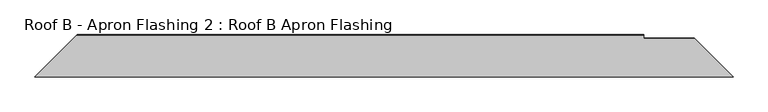
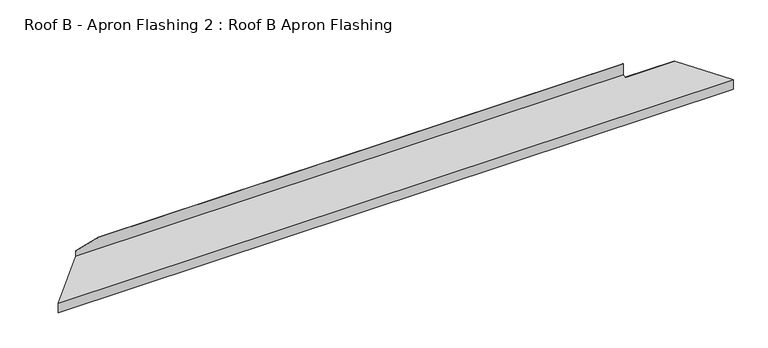
"""IFC4 building model written with IfcOpenShell, lengths in millimetres: proxy geometry, Roof B - Apron Flashing 2 : Roof B Apron Flashing."""

from ifc_helpers import new_model, si_unit, origin, place, context, project, spatial, faceted_brep, source, transform, mapped, element, save


def roof_b_apron_flashing_2_roof_b_apron_flashing_1e62d6fc(model_context):
    return source(origin(), model_context, "Body", "Brep", [
        faceted_brep([(318.5136408, -3905.5534225, 3496.9088838), (522.2616227, -3701.8054406, 3551.5029911), (3270.0, -3701.8054406, 3551.5029911), (3270.0, -3717.1696487, 3547.3861639), (3514.3049245, -3717.1696487, 3547.3861639), (3702.6886983, -3905.5534225, 3496.9088838), (522.2616227, -3701.8054406, 3580.5245663), (636.4971168, -3701.8054406, 3611.1338746), (3270.0, -3701.8054406, 3611.1338746), (3270.0, -3702.8054406, 3611.1338746), (636.4971168, -3702.8054406, 3611.1338746), (521.2616227, -3702.8054406, 3552.270318), (3270.0, -3702.8054406, 3552.270318), (521.2616227, -3702.8054406, 3580.2566171), (317.5136408, -3906.5534225, 3497.6762108), (3703.6886983, -3906.5534225, 3497.6762108), (3518.1686278, -3721.033352, 3547.3861639), (3270.0, -3721.033352, 3547.3861639), (317.5136408, -3906.5534225, 3446.4262108), (3703.6886983, -3906.5534225, 3446.4262108), (318.5136408, -3905.5534225, 3446.4262108), (3702.6886983, -3905.5534225, 3446.4262108)], [[[0, 1, 2, 3, 4, 5]], [[2, 1, 6, 7, 8]], [[9, 8, 7, 10]], [[11, 12, 9, 10, 13]], [[11, 14, 15, 16, 17, 12]], [[14, 18, 19, 15]], [[18, 20, 21, 19]], [[20, 0, 5, 21]], [[1, 0, 20, 18, 14, 11, 13, 6]], [[15, 19, 21, 5, 4, 16]], [[3, 17, 16, 4]], [[17, 3, 2, 8, 9, 12]], [[7, 6, 13, 10]]]),
    ])


if __name__ == "__main__":
    model = new_model("IFC4")
    model_context = context("Model", 3, world=origin())
    ifc_project = project(units=[si_unit("LENGTHUNIT", "METRE", prefix="MILLI")], contexts=[model_context])
    site = spatial("IfcSite", under=ifc_project)
    building = spatial("IfcBuilding", under=site)
    placement = place(None, origin())
    roof_b_apron_flashing_2_roof_b_apron_flashing_shape = roof_b_apron_flashing_2_roof_b_apron_flashing_1e62d6fc(model_context)
    element("IfcBuildingElementProxy", 1, Name="Roof B - Apron Flashing 2 : Roof B Apron Flashing", ObjectType="Roof B - Apron Flashing 2 : Roof B Apron Flashing", at=placement, inside=building, context=model_context, shape_type="MappedRepresentation", body=[
        mapped(roof_b_apron_flashing_2_roof_b_apron_flashing_shape, transform((0.0, 0.0, 0.0), x_axis=(1.0, 0.0, 0.0), y_axis=(0.0, 1.0, 0.0), z_axis=(0.0, 0.0, 1.0))),
    ])
    save(model, "model.ifc")
